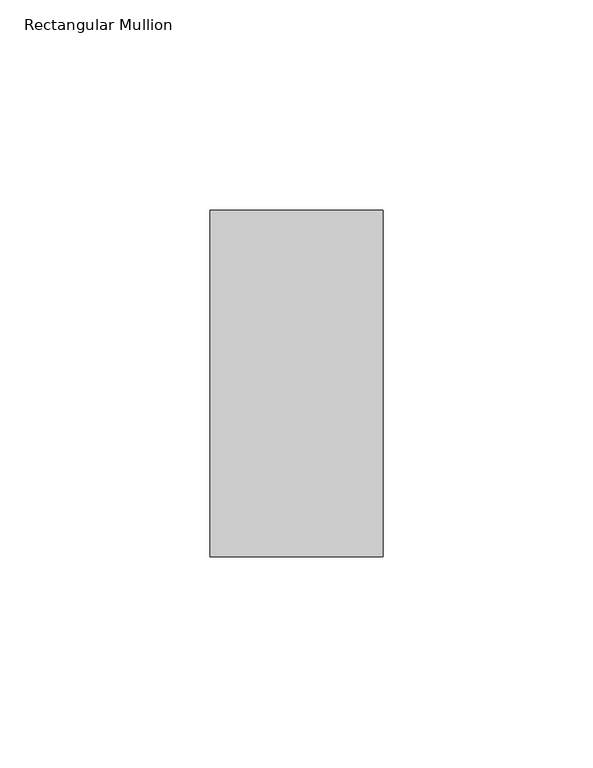
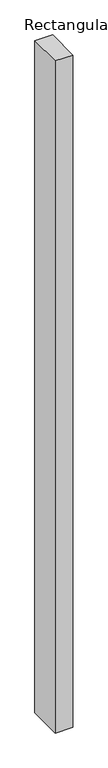
"""IFC4 building model written with IfcOpenShell, lengths in millimetres: member geometry, Rectangular Mullion."""

from ifc_helpers import new_model, si_unit, frame, origin, place, context, project, spatial, polyline, outline, extrude, source, transform, mapped, element, save


def rectangular_mullion_27370e4e(model_context):
    return source(origin(), model_context, "Body", "SweptSolid", [
        extrude(outline(polyline([(0.0, -73.025), (-41.275, -73.025), (-41.275, 9.525), (0.0, 9.525), (0.0, -73.025)])), frame((0.0, 0.0, -1666.875), z_axis=(0.0, 0.0, 1.0), x_axis=(1.0, 0.0, 0.0)), (0.0, 0.0, 1.0), 1666.875),
    ])


if __name__ == "__main__":
    model = new_model("IFC4")
    model_context = context("Model", 3, world=origin())
    ifc_project = project(units=[si_unit("LENGTHUNIT", "METRE", prefix="MILLI")], contexts=[model_context])
    site = spatial("IfcSite", under=ifc_project)
    building = spatial("IfcBuilding", under=site)
    placement = place(None, origin())
    rectangular_mullion_shape = rectangular_mullion_27370e4e(model_context)
    element("IfcMember", 1, ObjectType="Rectangular Mullion", at=placement, inside=building, context=model_context, shape_type="MappedRepresentation", body=[
        mapped(rectangular_mullion_shape, transform((0.0, 0.0, 0.0), x_axis=(1.0, 0.0, 0.0), y_axis=(0.0, 1.0, 0.0), z_axis=(0.0, 0.0, 1.0))),
    ])
    save(model, "model.ifc")
